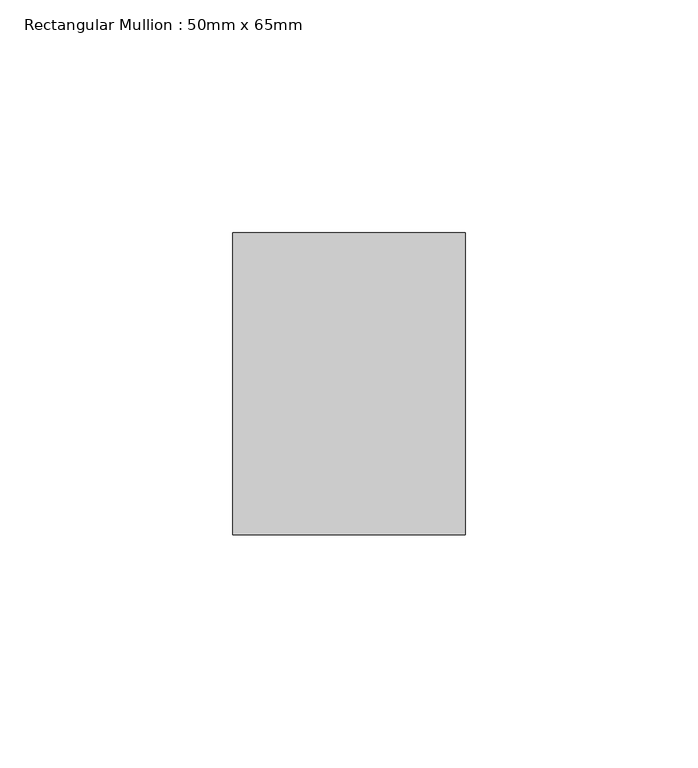
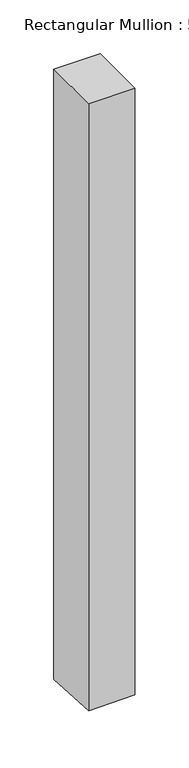
"""IFC4 building model written with IfcOpenShell, lengths in millimetres: member geometry, Rectangular Mullion : 50mm x 65mm."""

from ifc_helpers import new_model, si_unit, origin, place, context, project, spatial, faceted_brep, source, transform, mapped, element, save


def rectangular_mullion_50mm_x_65mm_19a3cd14(model_context):
    return source(origin(), model_context, "Body", "Brep", [
        faceted_brep([(25.0, 32.5, 0.0), (-25.0, 32.5, 0.0), (-25.0, -32.5, 0.0), (25.0, -32.5, 0.0), (25.0, 32.5, -693.6266929), (-25.0, 32.5, -694.7224675), (-25.0, -32.5, -691.4536886), (25.0, -32.5, -690.3579141)], [[[0, 1, 2, 3]], [[1, 0, 4, 5]], [[2, 1, 5, 6]], [[3, 2, 6, 7]], [[0, 3, 7, 4]], [[4, 7, 6, 5]]]),
    ])


if __name__ == "__main__":
    model = new_model("IFC4")
    model_context = context("Model", 3, world=origin())
    ifc_project = project(units=[si_unit("LENGTHUNIT", "METRE", prefix="MILLI")], contexts=[model_context])
    site = spatial("IfcSite", under=ifc_project)
    building = spatial("IfcBuilding", under=site)
    placement = place(None, origin())
    rectangular_mullion_50mm_x_65mm_shape = rectangular_mullion_50mm_x_65mm_19a3cd14(model_context)
    element("IfcMember", 1, ObjectType="Rectangular Mullion : 50mm x 65mm", at=placement, inside=building, context=model_context, shape_type="MappedRepresentation", body=[
        mapped(rectangular_mullion_50mm_x_65mm_shape, transform((0.0, 0.0, 0.0), x_axis=(1.0, 0.0, 0.0), y_axis=(0.0, 1.0, 0.0), z_axis=(0.0, 0.0, 1.0))),
    ])
    save(model, "model.ifc")
